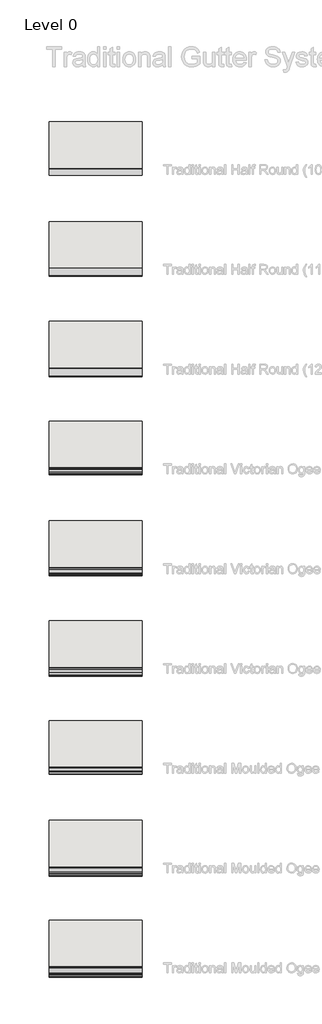
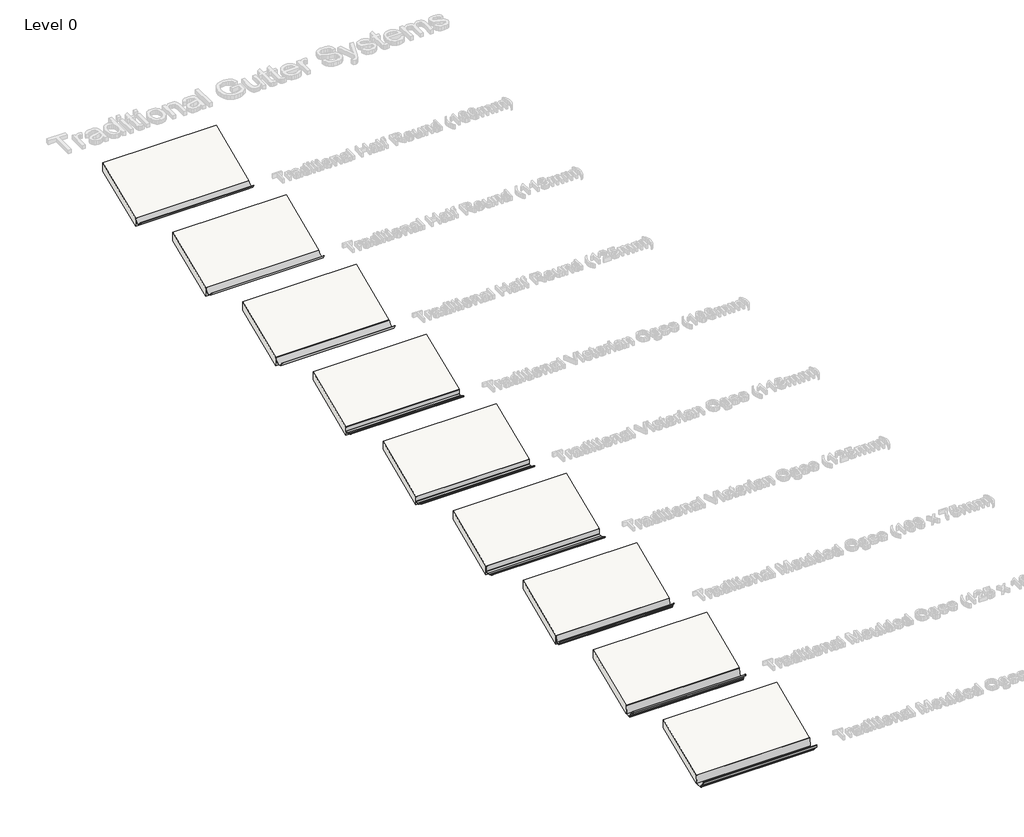
# One storey, part 1 of 10: 9 roofs, 8 pipe segments, 1 proxy.
"""IFC4 building model written with IfcOpenShell, lengths in millimetres."""

from ifc_helpers import new_model, si_unit, point, frame, frame_2d, origin, place, context, project, spatial, polyline, circle_curve, trimmed, segment, composite_curve, outline, extrude, element, save

model = new_model("IFC4")

# Units and contexts
model_context = context("Model", 3, world=origin())
ifc_project = project(units=[si_unit("LENGTHUNIT", "METRE", prefix="MILLI")], contexts=[model_context])

# Site, building, storey
site = spatial("IfcSite", under=ifc_project)
building = spatial("IfcBuilding", under=site)
storey = spatial("IfcBuildingStorey", under=building, Name="Level 0", Elevation=0.0)

# Proxy
placement = place(None, origin())
element("IfcBuildingElementProxy", 1, Name="Gutters", at=placement, inside=storey, context=model_context, shape_type="SweptSolid", body=[
    extrude(outline(composite_curve([segment(polyline([(-4148.7509503, 108.7967587), (-4163.0239865, 9.3872809)]), True, "CONTINUOUS"), segment(trimmed(circle_curve(frame_2d((-4166.0130165, 9.8164405)), 3.0196818), [point((-4163.0239865, 9.3872809))], [point((-4166.0130165, 6.7967587))], False, "CARTESIAN"), True, "CONTINUOUS"), segment(polyline([(-4166.0130165, 6.7967587), (-4245.6167451, 6.7967587)]), True, "CONTINUOUS"), segment(trimmed(circle_curve(frame_2d((-4245.6167451, 7.8624448)), 1.0656862), [point((-4245.6167451, 6.7967587))], [point((-4246.6744878, 7.7325704))], False, "CARTESIAN"), True, "CONTINUOUS"), segment(polyline([(-4246.6744878, 7.7325704), (-4249.1199963, 27.6496391)]), True, "CONTINUOUS"), segment(trimmed(circle_curve(frame_2d((-4250.5696819, 27.4716401)), 1.4605724), [point((-4249.1199963, 27.6496391))], [point((-4250.5312988, 28.9317081))], True, "CARTESIAN"), True, "CONTINUOUS"), segment(trimmed(circle_curve(frame_2d((-4249.9495363, 51.0615626)), 22.1375), [point((-4250.5312988, 28.9317081))], [point((-4269.7686189, 41.1988617))], False, "CARTESIAN"), True, "CONTINUOUS"), segment(polyline([(-4269.7686189, 41.1988617), (-4281.6662542, 65.1071421)]), True, "CONTINUOUS"), segment(trimmed(circle_curve(frame_2d((-4297.6636425, 56.6132486)), 18.1125), [point((-4281.6662542, 65.1071421))], [point((-4298.9352611, 74.6810554))], True, "CARTESIAN"), True, "CONTINUOUS"), segment(trimmed(circle_curve(frame_2d((-4299.1795337, 78.1518041)), 3.4793341), [point((-4298.9352611, 74.6810554))], [point((-4302.5696926, 77.3691242))], False, "CARTESIAN"), True, "CONTINUOUS"), segment(polyline([(-4302.5696926, 77.3691242), (-4309.8253337, 108.7967587), (-4305.7201173, 108.7967587), (-4298.7712691, 78.6979904)]), True, "CONTINUOUS"), segment(trimmed(circle_curve(frame_2d((-4297.6636425, 56.6132486)), 22.1125), [point((-4298.7712691, 78.6979904))], [point((-4278.1074751, 66.9340517))], False, "CARTESIAN"), True, "CONTINUOUS"), segment(polyline([(-4278.1074751, 66.9340517), (-4266.1875312, 42.9809421)]), True, "CONTINUOUS"), segment(trimmed(circle_curve(frame_2d((-4249.9495363, 51.0615626)), 18.1375), [point((-4266.1875312, 42.9809421))], [point((-4250.4261808, 32.9303267))], True, "CARTESIAN"), True, "CONTINUOUS"), segment(trimmed(circle_curve(frame_2d((-4250.5696819, 27.4716401)), 5.4605724), [point((-4250.4261808, 32.9303267))], [point((-4245.1498117, 28.1371165))], False, "CARTESIAN"), True, "CONTINUOUS"), segment(polyline([(-4245.1498117, 28.1371165), (-4243.0206835, 10.7967587), (-4166.8626353, 10.7967587), (-4152.7919694, 108.7967587), (-4148.7509503, 108.7967587)]), True, "CONTINUOUS")], self_intersect=False)), frame((-3163.9352169, 0.0, 0.0), z_axis=(1.0, 0.0, 0.0), x_axis=(0.0, 1.0, 0.0)), (0.0, 0.0, 1.0), 1400.0),
])

# Pipe segments
element("IfcPipeSegment", 2, at=placement, inside=storey, context=model_context, shape_type="SweptSolid", body=[
    extrude(outline(composite_curve([segment(polyline([(3347.2490497, 58.6293872), (3347.2490497, 107.7967587)]), True, "CONTINUOUS"), segment(trimmed(circle_curve(frame_2d((3348.2490497, 107.7967587)), 1.0), [point((3347.2490497, 107.7967587))], [point((3348.2490497, 108.7967587))], False, "CARTESIAN"), True, "CONTINUOUS"), segment(polyline([(3348.2490497, 108.7967587), (3350.2490497, 108.7967587)]), True, "CONTINUOUS"), segment(trimmed(circle_curve(frame_2d((3350.2490497, 107.7967587)), 1.0), [point((3350.2490497, 108.7967587))], [point((3351.2490497, 107.7967587))], False, "CARTESIAN"), True, "CONTINUOUS"), segment(polyline([(3351.2490497, 107.7967587), (3351.2490497, 57.0098191)]), True, "CONTINUOUS"), segment(trimmed(circle_curve(frame_2d((3346.2490497, 57.0098191)), 5.0), [point((3351.2490497, 57.0098191))], [point((3347.2886082, 52.1190811))], False, "CARTESIAN"), True, "CONTINUOUS"), segment(polyline([(3347.2886082, 52.1190811), (3322.2490497, 46.7967587)]), True, "CONTINUOUS"), segment(trimmed(circle_curve(frame_2d((3322.2490497, 99.7967587)), 53.0), [point((3322.2490497, 46.7967587))], [point((3282.549212, 64.683757))], False, "CARTESIAN"), True, "CONTINUOUS"), segment(trimmed(circle_curve(frame_2d((3266.2490497, 46.7967587)), 24.2), [point((3282.549212, 64.683757))], [point((3261.7169544, 70.5685931))], True, "CARTESIAN"), True, "CONTINUOUS"), segment(trimmed(circle_curve(frame_2d((3260.2187411, 78.4270507)), 8.0), [point((3261.7169544, 70.5685931))], [point((3253.5864405, 73.9535075))], False, "CARTESIAN"), True, "CONTINUOUS"), segment(polyline([(3253.5864405, 73.9535075), (3245.3007386, 86.2375658)]), True, "CONTINUOUS"), segment(trimmed(circle_curve(frame_2d((3246.1297762, 86.7967587)), 1.0), [point((3245.3007386, 86.2375658))], [point((3246.1297762, 87.7967587))], False, "CARTESIAN"), True, "CONTINUOUS"), segment(polyline([(3246.1297762, 87.7967587), (3248.5422121, 87.7967587)]), True, "CONTINUOUS"), segment(trimmed(circle_curve(frame_2d((3248.5422121, 86.7967587)), 1.0), [point((3248.5422121, 87.7967587))], [point((3249.3712496, 87.3559516))], False, "CARTESIAN"), True, "CONTINUOUS"), segment(polyline([(3249.3712496, 87.3559516), (3256.5379314, 76.730909)]), True, "CONTINUOUS"), segment(trimmed(circle_curve(frame_2d((3260.6831192, 79.5268735)), 5.0), [point((3256.5379314, 76.730909))], [point((3261.5213618, 74.5976393))], True, "CARTESIAN"), True, "CONTINUOUS"), segment(trimmed(circle_curve(frame_2d((3266.2490497, 46.7967587)), 28.2), [point((3261.5213618, 74.5976393))], [point((3287.9610874, 64.7919642))], False, "CARTESIAN"), True, "CONTINUOUS"), segment(trimmed(circle_curve(frame_2d((3322.2490497, 99.7967587)), 49.0), [point((3287.9610874, 64.7919642))], [point((3321.8367919, 50.7984929))], True, "CARTESIAN"), True, "CONTINUOUS"), segment(polyline([(3321.8367919, 50.7984929), (3344.8727848, 55.6949444)]), True, "CONTINUOUS"), segment(trimmed(circle_curve(frame_2d((3344.2490497, 58.6293872)), 3.0), [point((3344.8727848, 55.6949444))], [point((3347.2490497, 58.6293872))], True, "CARTESIAN"), True, "CONTINUOUS")], self_intersect=False)), frame((-3163.9352169, 0.0, 0.0), z_axis=(1.0, 0.0, 0.0), x_axis=(0.0, 1.0, 0.0)), (0.0, 0.0, 1.0), 1400.0),
])
element("IfcPipeSegment", 3, at=placement, inside=storey, context=model_context, shape_type="SweptSolid", body=[
    extrude(outline(composite_curve([segment(trimmed(circle_curve(frame_2d((1816.995492, 100.7177181)), 56.1896966), [point((1776.4525261, 61.8133492))], [point((1816.995492, 44.5280215))], True, "CARTESIAN"), True, "CONTINUOUS"), segment(polyline([(1816.995492, 44.5280215), (1843.6671636, 47.5954474)]), True, "CONTINUOUS"), segment(trimmed(circle_curve(frame_2d((1843.2490497, 51.573535)), 4.0), [point((1843.6671636, 47.5954474))], [point((1847.2490497, 51.573535))], True, "CARTESIAN"), True, "CONTINUOUS"), segment(polyline([(1847.2490497, 51.573535), (1847.2490497, 107.7967587)]), True, "CONTINUOUS"), segment(trimmed(circle_curve(frame_2d((1848.2490497, 107.7967587)), 1.0), [point((1847.2490497, 107.7967587))], [point((1848.2490497, 108.7967587))], False, "CARTESIAN"), True, "CONTINUOUS"), segment(polyline([(1848.2490497, 108.7967587), (1850.2490497, 108.7967587)]), True, "CONTINUOUS"), segment(trimmed(circle_curve(frame_2d((1850.2490497, 107.7967587)), 1.0), [point((1850.2490497, 108.7967587))], [point((1851.2490497, 107.7967587))], False, "CARTESIAN"), True, "CONTINUOUS"), segment(polyline([(1851.2490497, 107.7967587), (1851.2490497, 51.573535)]), True, "CONTINUOUS"), segment(trimmed(circle_curve(frame_2d((1843.2490497, 51.573535)), 8.0), [point((1851.2490497, 51.573535))], [point((1844.0852774, 43.6173598))], False, "CARTESIAN"), True, "CONTINUOUS"), segment(polyline([(1844.0852774, 43.6173598), (1817.0775787, 40.4958619)]), True, "CONTINUOUS"), segment(trimmed(circle_curve(frame_2d((1817.0775787, 100.7099496)), 60.2140877), [point((1817.0775787, 40.4958619))], [point((1773.5997622, 59.0516271))], False, "CARTESIAN"), True, "CONTINUOUS"), segment(trimmed(circle_curve(frame_2d((1749.9337452, 40.6147175)), 30.0), [point((1773.5997622, 59.0516271))], [point((1749.9695931, 70.6146961))], True, "CARTESIAN"), True, "CONTINUOUS"), segment(trimmed(circle_curve(frame_2d((1749.9863222, 84.6146861)), 14.0), [point((1749.9695931, 70.6146961))], [point((1737.8619665, 77.6146861))], False, "CARTESIAN"), True, "CONTINUOUS"), segment(polyline([(1737.8619665, 77.6146861), (1731.3338251, 88.9217587)]), True, "CONTINUOUS"), segment(trimmed(circle_curve(frame_2d((1732.1998505, 89.4217587)), 1.0), [point((1731.3338251, 88.9217587))], [point((1732.1998505, 90.4217587))], False, "CARTESIAN"), True, "CONTINUOUS"), segment(polyline([(1732.1998505, 90.4217587), (1734.5092516, 90.4217587)]), True, "CONTINUOUS"), segment(trimmed(circle_curve(frame_2d((1734.5092516, 89.4217587)), 1.0), [point((1734.5092516, 90.4217587))], [point((1735.3759701, 89.9205562))], False, "CARTESIAN"), True, "CONTINUOUS"), segment(polyline([(1735.3759701, 89.9205562), (1741.3084425, 79.6121971)]), True, "CONTINUOUS"), segment(trimmed(circle_curve(frame_2d((1749.9814476, 84.6035215)), 10.0067146), [point((1741.3084425, 79.6121971))], [point((1749.9618107, 74.5968262))], True, "CARTESIAN"), True, "CONTINUOUS"), segment(trimmed(circle_curve(frame_2d((1749.8951334, 40.6190613)), 33.9778303), [point((1749.9618107, 74.5968262))], [point((1776.4525261, 61.8133492))], False, "CARTESIAN"), True, "CONTINUOUS")], self_intersect=False)), frame((-3163.9352169, 0.0, 0.0), z_axis=(1.0, 0.0, 0.0), x_axis=(0.0, 1.0, 0.0)), (0.0, 0.0, 1.0), 1400.0),
])
element("IfcPipeSegment", 4, at=placement, inside=storey, context=model_context, shape_type="SweptSolid", body=[
    extrude(outline(composite_curve([segment(polyline([(-1148.7509503, 108.7967587), (-1159.4320537, 32.7967587), (-1211.5916224, 32.7967587), (-1213.7266838, 47.9885102)]), True, "CONTINUOUS"), segment(trimmed(circle_curve(frame_2d((-1212.4487831, 61.4980601)), 13.5698551), [point((-1213.7266838, 47.9885102))], [point((-1225.7569848, 58.8461297))], False, "CARTESIAN"), True, "CONTINUOUS"), segment(polyline([(-1225.7569848, 58.8461297), (-1230.025021, 75.9642878)]), True, "CONTINUOUS"), segment(trimmed(circle_curve(frame_2d((-1249.8777363, 71.5019458)), 20.3480417), [point((-1230.025021, 75.9642878))], [point((-1249.9404814, 91.8498908))], True, "CARTESIAN"), True, "CONTINUOUS"), segment(polyline([(-1249.9404814, 91.8498908), (-1254.7999176, 108.7967587), (-1252.4060248, 108.7967587), (-1248.1883715, 94.0880537)]), True, "CONTINUOUS"), segment(trimmed(circle_curve(frame_2d((-1249.8777363, 71.5019458)), 22.6491991), [point((-1248.1883715, 94.0880537))], [point((-1227.7859196, 76.4957277))], False, "CARTESIAN"), True, "CONTINUOUS"), segment(polyline([(-1227.7859196, 76.4957277), (-1223.5102989, 59.3471494)]), True, "CONTINUOUS"), segment(trimmed(circle_curve(frame_2d((-1212.4487831, 61.4980601)), 11.2686977), [point((-1223.5102989, 59.3471494))], [point((-1211.7211479, 50.2528792))], True, "CARTESIAN"), True, "CONTINUOUS"), segment(polyline([(-1211.7211479, 50.2528792), (-1209.5912567, 35.0979161), (-1161.4324194, 35.0979161), (-1151.0747225, 108.7967587), (-1148.7509503, 108.7967587)]), True, "CONTINUOUS")], self_intersect=False)), frame((-3163.9352169, 0.0, 0.0), z_axis=(1.0, 0.0, 0.0), x_axis=(0.0, 1.0, 0.0)), (0.0, 0.0, 1.0), 1400.0),
])
element("IfcPipeSegment", 5, at=placement, inside=storey, context=model_context, shape_type="SweptSolid", body=[
    extrude(outline(composite_curve([segment(trimmed(circle_curve(frame_2d((240.2490497, 15.7967587)), 44.0), [point((271.1140197, 47.1552284))], [point((235.3302604, 59.5209569))], True, "CARTESIAN"), True, "CONTINUOUS"), segment(trimmed(circle_curve(frame_2d((234.771307, 64.4896158)), 5.0), [point((235.3302604, 59.5209569))], [point((230.6755468, 61.6217336))], False, "CARTESIAN"), True, "CONTINUOUS"), segment(polyline([(230.6755468, 61.6217336), (218.3508798, 79.2231822)]), True, "CONTINUOUS"), segment(trimmed(circle_curve(frame_2d((219.1700318, 79.7967587)), 1.0), [point((218.3508798, 79.2231822))], [point((219.1700318, 80.7967587))], False, "CARTESIAN"), True, "CONTINUOUS"), segment(polyline([(219.1700318, 80.7967587), (221.611581, 80.7967587)]), True, "CONTINUOUS"), segment(trimmed(circle_curve(frame_2d((221.611581, 79.7967587)), 1.0), [point((221.611581, 80.7967587))], [point((222.4307331, 80.3703351))], False, "CARTESIAN"), True, "CONTINUOUS"), segment(polyline([(222.4307331, 80.3703351), (233.952155, 63.9160393)]), True, "CONTINUOUS"), segment(trimmed(circle_curve(frame_2d((234.771307, 64.4896158)), 1.0), [point((233.952155, 63.9160393))], [point((234.8830977, 63.495884))], True, "CARTESIAN"), True, "CONTINUOUS"), segment(trimmed(circle_curve(frame_2d((240.2490497, 15.7967587)), 48.0), [point((234.8830977, 63.495884))], [point((273.7399054, 50.1822583))], False, "CARTESIAN"), True, "CONTINUOUS"), segment(trimmed(circle_curve(frame_2d((316.2490497, 105.7967587)), 70.0), [point((273.7399054, 50.1822583))], [point((315.9039203, 35.7976095))], True, "CARTESIAN"), True, "CONTINUOUS"), segment(polyline([(315.9039203, 35.7976095), (343.9436424, 40.741769)]), True, "CONTINUOUS"), segment(trimmed(circle_curve(frame_2d((343.2490497, 44.681)), 4.0), [point((343.9436424, 40.741769))], [point((347.2490497, 44.681))], True, "CARTESIAN"), True, "CONTINUOUS"), segment(polyline([(347.2490497, 44.681), (347.2490497, 107.7967587)]), True, "CONTINUOUS"), segment(trimmed(circle_curve(frame_2d((348.2490497, 107.7967587)), 1.0), [point((347.2490497, 107.7967587))], [point((348.2490497, 108.7967587))], False, "CARTESIAN"), True, "CONTINUOUS"), segment(polyline([(348.2490497, 108.7967587), (350.2490497, 108.7967587)]), True, "CONTINUOUS"), segment(trimmed(circle_curve(frame_2d((350.2490497, 107.7967587)), 1.0), [point((350.2490497, 108.7967587))], [point((351.2490497, 107.7967587))], False, "CARTESIAN"), True, "CONTINUOUS"), segment(polyline([(351.2490497, 107.7967587), (351.2490497, 44.681)]), True, "CONTINUOUS"), segment(trimmed(circle_curve(frame_2d((343.2490497, 44.681)), 8.0), [point((351.2490497, 44.681))], [point((344.6382351, 36.802538))], False, "CARTESIAN"), True, "CONTINUOUS"), segment(polyline([(344.6382351, 36.802538), (316.2490497, 31.7967587)]), True, "CONTINUOUS"), segment(trimmed(circle_curve(frame_2d((316.2490497, 105.7967587)), 74.0), [point((316.2490497, 31.7967587))], [point((271.1140197, 47.1552284))], False, "CARTESIAN"), True, "CONTINUOUS")], self_intersect=False)), frame((-3163.9352169, 0.0, 0.0), z_axis=(1.0, 0.0, 0.0), x_axis=(0.0, 1.0, 0.0)), (0.0, 0.0, 1.0), 1400.0),
])
element("IfcPipeSegment", 6, at=placement, inside=storey, context=model_context, shape_type="SweptSolid", body=[
    extrude(outline(composite_curve([segment(trimmed(circle_curve(frame_2d((-2727.4801593, 47.3378643)), 22.2976452), [point((-2734.3264671, 26.1172834))], [point((-2748.8833565, 41.085814))], False, "CARTESIAN"), True, "CONTINUOUS"), segment(polyline([(-2748.8833565, 41.085814), (-2755.702289, 68.4350583)]), True, "CONTINUOUS"), segment(trimmed(circle_curve(frame_2d((-2780.0477628, 59.4830346)), 25.9391755), [point((-2755.702289, 68.4350583))], [point((-2781.3919967, 85.3873558))], True, "CARTESIAN"), True, "CONTINUOUS"), segment(trimmed(circle_curve(frame_2d((-2781.4445203, 86.3995233)), 1.0135293), [point((-2781.3919967, 85.3873558))], [point((-2782.432073, 86.1715288))], False, "CARTESIAN"), True, "CONTINUOUS"), segment(polyline([(-2782.432073, 86.1715288), (-2787.6555189, 108.7967587), (-2783.4947616, 108.7967587), (-2779.2878988, 90.5748337)]), True, "CONTINUOUS"), segment(trimmed(circle_curve(frame_2d((-2777.8065698, 90.9168254)), 1.520294), [point((-2779.2878988, 90.5748337))], [point((-2777.9146905, 89.400381))], True, "CARTESIAN"), True, "CONTINUOUS"), segment(trimmed(circle_curve(frame_2d((-2780.0477628, 59.4830346)), 29.9932928), [point((-2777.9146905, 89.400381))], [point((-2750.3644797, 63.784234))], False, "CARTESIAN"), True, "CONTINUOUS"), segment(polyline([(-2750.3644797, 63.784234), (-2744.9701911, 42.1489242)]), True, "CONTINUOUS"), segment(trimmed(circle_curve(frame_2d((-2727.4801593, 47.3378643)), 18.2435279), [point((-2744.9701911, 42.1489242))], [point((-2730.8274711, 29.4040467))], True, "CARTESIAN"), True, "CONTINUOUS"), segment(trimmed(circle_curve(frame_2d((-2731.1064137, 27.9095619)), 1.520294), [point((-2730.8274711, 29.4040467))], [point((-2729.5974518, 28.0948391))], False, "CARTESIAN"), True, "CONTINUOUS"), segment(polyline([(-2729.5974518, 28.0948391), (-2727.4801593, 10.850876), (-2666.6683996, 10.850876), (-2652.9030035, 108.7967587), (-2648.8090441, 108.7967587), (-2662.960282, 8.1054686)]), True, "CONTINUOUS"), segment(trimmed(circle_curve(frame_2d((-2664.4657806, 8.3170526)), 1.520294), [point((-2662.960282, 8.1054686))], [point((-2664.4657806, 6.7967587))], False, "CARTESIAN"), True, "CONTINUOUS"), segment(polyline([(-2664.4657806, 6.7967587), (-2729.7218968, 6.7967587)]), True, "CONTINUOUS"), segment(trimmed(circle_curve(frame_2d((-2729.7218968, 8.3170526)), 1.520294), [point((-2729.7218968, 6.7967587))], [point((-2731.2308588, 8.1317754))], False, "CARTESIAN"), True, "CONTINUOUS"), segment(polyline([(-2731.2308588, 8.1317754), (-2733.2842989, 24.8557029)]), True, "CONTINUOUS"), segment(trimmed(circle_curve(frame_2d((-2734.7932608, 24.6704256)), 1.520294), [point((-2733.2842989, 24.8557029))], [point((-2734.3264671, 26.1172834))], True, "CARTESIAN"), True, "CONTINUOUS")], self_intersect=False)), frame((-3163.9352169, 0.0, 0.0), z_axis=(1.0, 0.0, 0.0), x_axis=(0.0, 1.0, 0.0)), (0.0, 0.0, 1.0), 1400.0),
])
element("IfcPipeSegment", 7, ObjectType="HalfRound_100mm", at=placement, inside=storey, context=model_context, shape_type="SweptSolid", body=[
    extrude(outline(composite_curve([segment(trimmed(circle_curve(frame_2d((7798.7541966, 115.7922465)), 53.0977513), [point((7851.2490497, 107.8134252))], [point((7746.2490497, 107.8814475))], False, "CARTESIAN"), True, "CONTINUOUS"), segment(polyline([(7746.2490497, 107.8814475), (7746.2490497, 108.7967587), (7749.1979093, 108.7967587)]), True, "CONTINUOUS"), segment(trimmed(circle_curve(frame_2d((7798.7541966, 115.7922465)), 50.047602), [point((7749.1979093, 108.7967587))], [point((7848.310484, 108.7967587))], True, "CARTESIAN"), True, "CONTINUOUS"), segment(polyline([(7848.310484, 108.7967587), (7851.2490497, 108.7967587), (7851.2490497, 107.8134252)]), True, "CONTINUOUS")], self_intersect=False)), frame((-3163.9352169, 0.0, 0.0), z_axis=(1.0, 0.0, 0.0), x_axis=(0.0, 1.0, 0.0)), (0.0, 0.0, 1.0), 1400.0),
])
element("IfcPipeSegment", 8, ObjectType="HalfRound_113mm", at=placement, inside=storey, context=model_context, shape_type="SweptSolid", body=[
    extrude(outline(composite_curve([segment(trimmed(circle_curve(frame_2d((6291.7541966, 116.8515545)), 60.1774487), [point((6351.2490497, 107.8134252))], [point((6232.2490497, 107.8814475))], False, "CARTESIAN"), True, "CONTINUOUS"), segment(polyline([(6232.2490497, 107.8814475), (6232.2490497, 108.7967587), (6235.1979093, 108.7967587)]), True, "CONTINUOUS"), segment(trimmed(circle_curve(frame_2d((6291.7541966, 116.8515545)), 57.1269934), [point((6235.1979093, 108.7967587))], [point((6348.310484, 108.7967587))], True, "CARTESIAN"), True, "CONTINUOUS"), segment(polyline([(6348.310484, 108.7967587), (6351.2490497, 108.7967587), (6351.2490497, 107.8134252)]), True, "CONTINUOUS")], self_intersect=False)), frame((-3163.9352169, 0.0, 0.0), z_axis=(1.0, 0.0, 0.0), x_axis=(0.0, 1.0, 0.0)), (0.0, 0.0, 1.0), 1400.0),
])
element("IfcPipeSegment", 9, ObjectType="HalfRound_125mm", at=placement, inside=storey, context=model_context, shape_type="SweptSolid", body=[
    extrude(outline(composite_curve([segment(trimmed(circle_curve(frame_2d((4786.2541966, 117.683868)), 65.7400682), [point((4851.2490497, 107.8134252))], [point((4721.2490497, 107.8814475))], False, "CARTESIAN"), True, "CONTINUOUS"), segment(polyline([(4721.2490497, 107.8814475), (4721.2490497, 108.7967587), (4724.1979093, 108.7967587)]), True, "CONTINUOUS"), segment(trimmed(circle_curve(frame_2d((4786.2541966, 117.683868)), 62.6894211), [point((4724.1979093, 108.7967587))], [point((4848.310484, 108.7967587))], True, "CARTESIAN"), True, "CONTINUOUS"), segment(polyline([(4848.310484, 108.7967587), (4851.2490497, 108.7967587), (4851.2490497, 107.8134252)]), True, "CONTINUOUS")], self_intersect=False)), frame((-3163.9352169, 0.0, 0.0), z_axis=(1.0, 0.0, 0.0), x_axis=(0.0, 1.0, 0.0)), (0.0, 0.0, 1.0), 1400.0),
])

# Roofs
element("IfcRoof", 10, ObjectType="Pitched - Warm - Industrial", at=placement, inside=storey, context=model_context, shape_type="SweptSolid", body=[
    extrude(outline(polyline([(4851.2490497, 108.7967587), (5551.2490497, 408.7967587), (5551.2490497, 300.0), (4851.2490497, 0.0), (4851.2490497, 108.7967587)])), frame((-3163.9352169, 0.0, 0.0), z_axis=(1.0, 0.0, 0.0), x_axis=(0.0, 1.0, 0.0)), (0.0, 0.0, 1.0), 1400.0),
])
element("IfcRoof", 11, ObjectType="Pitched - Warm - Industrial", at=placement, inside=storey, context=model_context, shape_type="SweptSolid", body=[
    extrude(outline(polyline([(6351.2490497, 108.7967587), (7051.2490497, 408.7967587), (7051.2490497, 300.0), (6351.2490497, 0.0), (6351.2490497, 108.7967587)])), frame((-3163.9352169, 0.0, 0.0), z_axis=(1.0, 0.0, 0.0), x_axis=(0.0, 1.0, 0.0)), (0.0, 0.0, 1.0), 1400.0),
])
element("IfcRoof", 12, ObjectType="Pitched - Warm - Industrial", at=placement, inside=storey, context=model_context, shape_type="SweptSolid", body=[
    extrude(outline(polyline([(7851.2490497, 108.7967587), (8551.2490497, 408.7967587), (8551.2490497, 300.0), (7851.2490497, 0.0), (7851.2490497, 108.7967587)])), frame((-3163.9352169, 0.0, 0.0), z_axis=(1.0, 0.0, 0.0), x_axis=(0.0, 1.0, 0.0)), (0.0, 0.0, 1.0), 1400.0),
])
element("IfcRoof", 13, ObjectType="Pitched - Warm - Industrial", at=placement, inside=storey, context=model_context, shape_type="SweptSolid", body=[
    extrude(outline(polyline([(1851.2490497, 108.7967587), (2551.2490497, 408.7967587), (2551.2490497, 300.0), (1851.2490497, 0.0), (1851.2490497, 108.7967587)])), frame((-3163.9352169, 0.0, 0.0), z_axis=(1.0, 0.0, 0.0), x_axis=(0.0, 1.0, 0.0)), (0.0, 0.0, 1.0), 1400.0),
])
element("IfcRoof", 14, ObjectType="Pitched - Warm - Industrial", at=placement, inside=storey, context=model_context, shape_type="SweptSolid", body=[
    extrude(outline(polyline([(3351.2490497, 108.7967587), (4051.2490497, 408.7967587), (4051.2490497, 300.0), (3351.2490497, 0.0), (3351.2490497, 108.7967587)])), frame((-3163.9352169, 0.0, 0.0), z_axis=(1.0, 0.0, 0.0), x_axis=(0.0, 1.0, 0.0)), (0.0, 0.0, 1.0), 1400.0),
])
element("IfcRoof", 15, ObjectType="Pitched - Warm - Industrial", at=placement, inside=storey, context=model_context, shape_type="SweptSolid", body=[
    extrude(outline(polyline([(-1148.7509503, 108.7967587), (-448.7509503, 408.7967587), (-448.7509503, 300.0), (-1148.7509503, 0.0), (-1148.7509503, 108.7967587)])), frame((-3163.9352169, 0.0, 0.0), z_axis=(1.0, 0.0, 0.0), x_axis=(0.0, 1.0, 0.0)), (0.0, 0.0, 1.0), 1400.0),
])
element("IfcRoof", 16, ObjectType="Pitched - Warm - Industrial", at=placement, inside=storey, context=model_context, shape_type="SweptSolid", body=[
    extrude(outline(polyline([(351.2490497, 108.7967587), (1051.2490497, 408.7967587), (1051.2490497, 300.0), (351.2490497, 0.0), (351.2490497, 108.7967587)])), frame((-3163.9352169, 0.0, 0.0), z_axis=(1.0, 0.0, 0.0), x_axis=(0.0, 1.0, 0.0)), (0.0, 0.0, 1.0), 1400.0),
])
element("IfcRoof", 17, ObjectType="Pitched - Warm - Industrial", at=placement, inside=storey, context=model_context, shape_type="SweptSolid", body=[
    extrude(outline(polyline([(-4148.7509503, 108.7967587), (-3448.7509503, 408.7967587), (-3448.7509503, 300.0), (-4148.7509503, 0.0), (-4148.7509503, 108.7967587)])), frame((-3163.9352169, 0.0, 0.0), z_axis=(1.0, 0.0, 0.0), x_axis=(0.0, 1.0, 0.0)), (0.0, 0.0, 1.0), 1400.0),
])
element("IfcRoof", 18, ObjectType="Pitched - Warm - Industrial", at=placement, inside=storey, context=model_context, shape_type="SweptSolid", body=[
    extrude(outline(polyline([(-2648.7509503, 108.7967587), (-1948.7509503, 408.7967587), (-1948.7509503, 300.0), (-2648.7509503, 0.0), (-2648.7509503, 108.7967587)])), frame((-3163.9352169, 0.0, 0.0), z_axis=(1.0, 0.0, 0.0), x_axis=(0.0, 1.0, 0.0)), (0.0, 0.0, 1.0), 1400.0),
])

save(model, "model.ifc")
